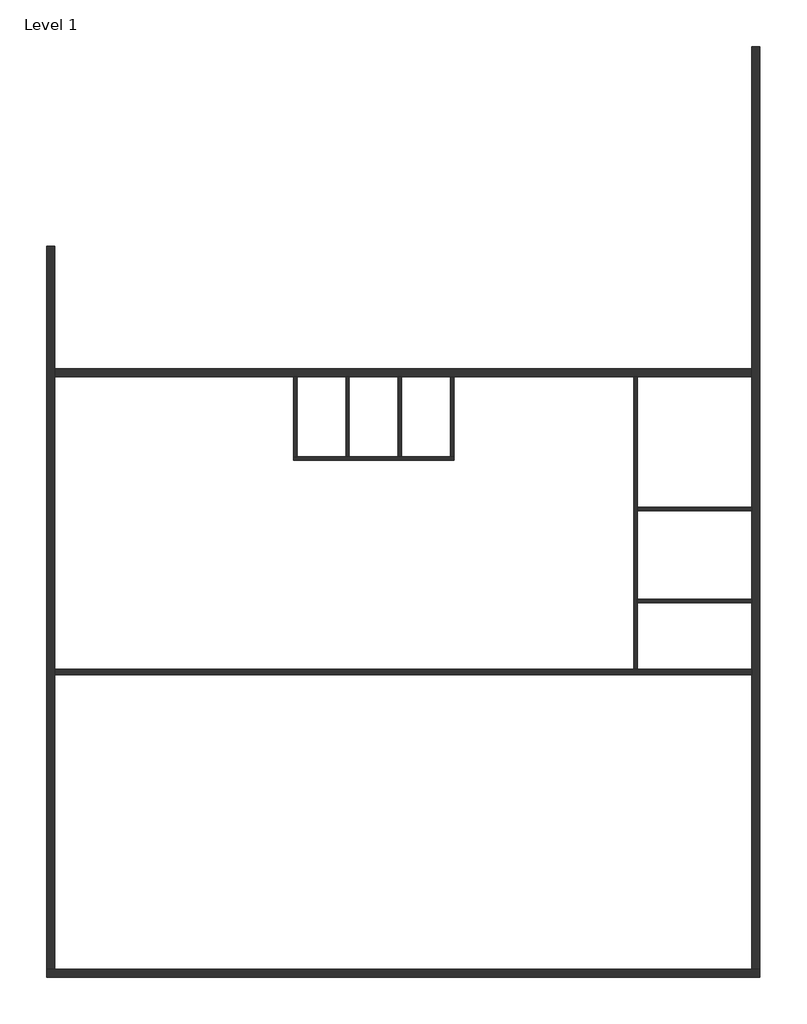
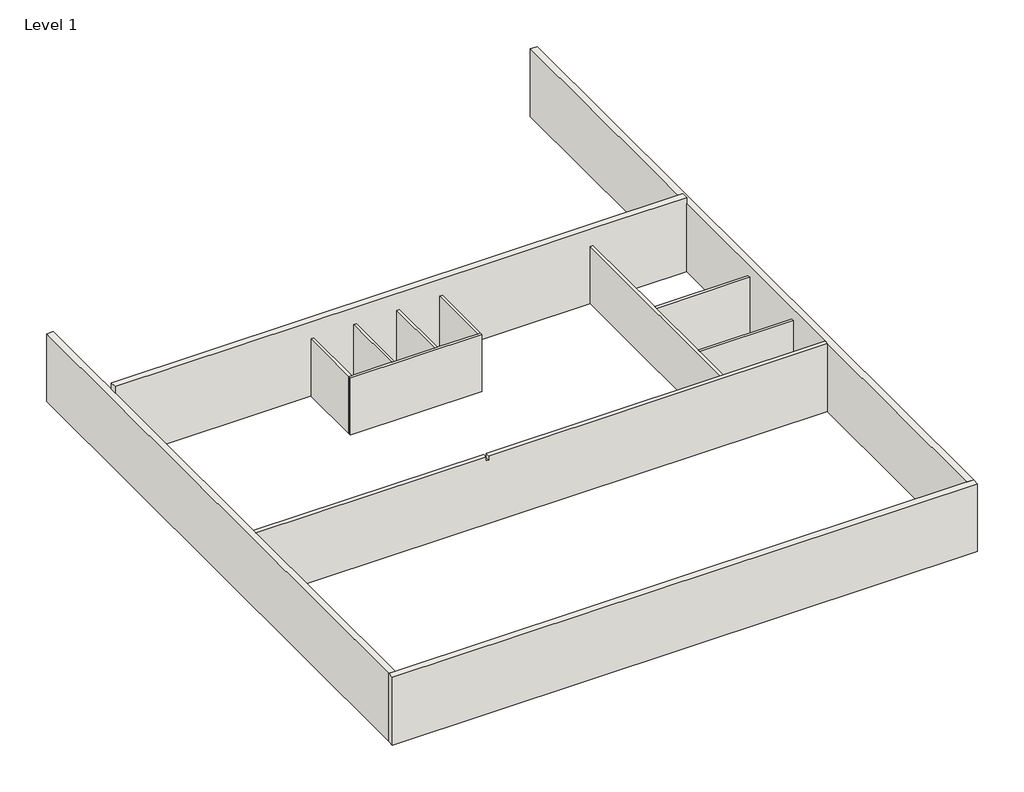
# One storey: 13 walls.
"""IFC4 building model written with IfcOpenShell, lengths in millimetres."""

from ifc_helpers import new_model, si_unit, origin, origin_with_axes, place, context, project, spatial, polyline, outline, extrude, faceted_brep, element, save

model = new_model("IFC4")

# Units and contexts
model_context = context("Model", 3, world=origin())
ifc_project = project(units=[si_unit("LENGTHUNIT", "METRE", prefix="MILLI")], contexts=[model_context])

# Site, building, storey
site = spatial("IfcSite", under=ifc_project)
building = spatial("IfcBuilding", under=site)
storey = spatial("IfcBuildingStorey", under=building, Name="Level 1", Elevation=0.0)

# Walls
placement = place(None, origin())
element("IfcWall", 1, ObjectType="Generic - 12\"", at=placement, inside=storey, context=model_context, shape_type="Brep", body=[
    faceted_brep([(-13711.3933191, -17893.9596513, 0.0), (12820.8785353, -17893.9596513, 0.0), (12820.8785353, -17893.9596513, 3251.2), (-13711.3933191, -17893.9596513, 3251.2), (-13711.3933191, -17589.1596513, 0.0), (-13711.3933191, -17589.1596513, 3251.2), (-13406.5933191, -17589.1596513, 3251.2), (12516.0785353, -17589.1596513, 3251.2), (12820.8785353, -17589.1596513, 3251.2), (12820.8785353, -17589.1596513, 0.0), (12516.0785353, -17589.1596513, 0.0), (-13406.5933191, -17589.1596513, 0.0)], [[[0, 1, 2, 3]], [[4, 5, 6, 7, 8, 9, 10, 11]], [[1, 0, 4, 11, 10, 9]], [[3, 2, 8, 7, 6, 5]], [[2, 1, 9, 8]], [[0, 3, 5, 4]]]),
])
element("IfcWall", 2, ObjectType="Generic - 12\"", at=placement, inside=storey, context=model_context, shape_type="Brep", body=[
    faceted_brep([(12820.8785353, -17589.1596513, 0.0), (12820.8785353, 16700.8403487, 0.0), (12820.8785353, 16700.8403487, 3251.2), (12820.8785353, -17589.1596513, 3251.2), (12516.0785353, -17589.1596513, 0.0), (12516.0785353, -17589.1596513, 3251.2), (12516.0785353, -6640.1721513, 3251.2), (12516.0785353, -6446.4971513, 3251.2), (12516.0785353, 16700.8403487, 3251.2), (12516.0785353, 16700.8403487, 0.0), (12516.0785353, 4734.2653487, 0.0), (12516.0785353, 4429.4653487, 0.0), (12516.0785353, -420.3471513, 0.0), (12516.0785353, -544.1721513, 0.0), (12516.0785353, -3846.1721513, 0.0), (12516.0785353, -3969.9971513, 0.0), (12516.0785353, -6446.4971513, 0.0), (12516.0785353, -6640.1721513, 0.0)], [[[0, 1, 2, 3]], [[4, 5, 6, 7, 8, 9, 10, 11, 12, 13, 14, 15, 16, 17]], [[1, 0, 4, 17, 16, 15, 14, 13, 12, 11, 10, 9]], [[2, 1, 9, 8]], [[3, 2, 8, 7, 6, 5]], [[0, 3, 5, 4]]]),
])
element("IfcWall", 3, ObjectType="Generic - 12\"", at=placement, inside=storey, context=model_context, shape_type="Brep", body=[
    faceted_brep([(-13711.3933191, 9284.0403487, 0.0), (-13711.3933191, -17589.1596513, 0.0), (-13711.3933191, -17589.1596513, 3251.2), (-13711.3933191, 9284.0403487, 3251.2), (-13406.5933191, 9284.0403487, 0.0), (-13406.5933191, 9284.0403487, 3251.2), (-13406.5933191, -6446.4971513, 3251.2), (-13406.5933191, -6640.1721513, 3251.2), (-13406.5933191, -17589.1596513, 3251.2), (-13406.5933191, -17589.1596513, 0.0), (-13406.5933191, -6640.1721513, 0.0), (-13406.5933191, -6446.4971513, 0.0), (-13406.5933191, 4429.4653487, 0.0), (-13406.5933191, 4734.2653487, 0.0)], [[[0, 1, 2, 3]], [[4, 5, 6, 7, 8, 9, 10, 11, 12, 13]], [[1, 0, 4, 13, 12, 11, 10, 9]], [[3, 2, 8, 7, 6, 5]], [[0, 3, 5, 4]], [[2, 1, 9, 8]]]),
])
element("IfcWall", 4, ObjectType="Generic - 12\"", at=placement, inside=storey, context=model_context, shape_type="Brep", body=[
    faceted_brep([(12516.0785353, 4734.2653487, 0.0), (-13406.5933191, 4734.2653487, 0.0), (-13406.5933191, 4734.2653487, 3556.0), (12516.0785353, 4734.2653487, 3556.0), (12516.0785353, 4429.4653487, 0.0), (12516.0785353, 4429.4653487, 3556.0), (8224.1620423, 4429.4653487, 3556.0), (8100.3370423, 4429.4653487, 3556.0), (6804.9370423, 4429.4653487, 3556.0), (6681.1120423, 4429.4653487, 3556.0), (3880.7620423, 4429.4653487, 3556.0), (3756.9370423, 4429.4653487, 3556.0), (-13406.5933191, 4429.4653487, 3556.0), (-13406.5933191, 4429.4653487, 0.0), (-4527.3214647, 4429.4653487, 0.0), (-4403.4964647, 4429.4653487, 0.0), (-2581.0464647, 4429.4653487, 0.0), (-2457.2214647, 4429.4653487, 0.0), (-634.7714647, 4429.4653487, 0.0), (-510.9464647, 4429.4653487, 0.0), (1311.5035353, 4429.4653487, 0.0), (1435.3285353, 4429.4653487, 0.0), (8137.7535353, 4429.4653487, 0.0), (8261.5785353, 4429.4653487, 0.0)], [[[0, 1, 2, 3]], [[4, 5, 6, 7, 8, 9, 10, 11, 12, 13, 14, 15, 16, 17, 18, 19, 20, 21, 22, 23]], [[1, 0, 4, 23, 22, 21, 20, 19, 18, 17, 16, 15, 14, 13]], [[3, 2, 12, 11, 10, 9, 8, 7, 6, 5]], [[0, 3, 5, 4]], [[2, 1, 13, 12]]]),
])
element("IfcWall", 5, ObjectType="Generic - 8\" Masonry", at=placement, inside=storey, context=model_context, shape_type="Brep", body=[
    faceted_brep([(12516.0785353, -6446.4971513, 0.0), (8261.5785353, -6446.4971513, 0.0), (8137.7535353, -6446.4971513, 0.0), (-13406.5933191, -6446.4971513, 0.0), (-13406.5933191, -6446.4971513, 3251.2), (-2974.0629577, -6446.4971513, 3251.2), (-2974.0629577, -6446.4971513, 3048.0), (-2850.2379577, -6446.4971513, 3048.0), (-2850.2379577, -6446.4971513, 3251.2), (12516.0785353, -6446.4971513, 3251.2), (-13406.5933191, -6640.1721513, 0.0), (12516.0785353, -6640.1721513, 0.0), (12516.0785353, -6640.1721513, 3251.2), (-2850.2379577, -6640.1721513, 3251.2), (-2850.2379577, -6640.1721513, 3048.0), (-2974.0629577, -6640.1721513, 3048.0), (-2974.0629577, -6640.1721513, 3251.2), (-13406.5933191, -6640.1721513, 3251.2)], [[[0, 1, 2, 3, 4, 5, 6, 7, 8, 9]], [[10, 11, 12, 13, 14, 15, 16, 17]], [[3, 2, 1, 0, 11, 10]], [[12, 9, 8, 13]], [[4, 17, 16, 5]], [[0, 9, 12, 11]], [[4, 3, 10, 17]], [[7, 14, 13, 8]], [[15, 6, 5, 16]], [[14, 7, 6, 15]]]),
])
element("IfcWall", 6, ObjectType="Interior - 4 7/8\" Partition", at=placement, inside=storey, context=model_context, shape_type="Brep", body=[
    faceted_brep([(8261.5785353, -6446.4971513, 0.0), (8261.5785353, -3969.9971513, 0.0), (8261.5785353, -3846.1721513, 0.0), (8261.5785353, -544.1721513, 0.0), (8261.5785353, -420.3471513, 0.0), (8261.5785353, 4429.4653487, 0.0), (8261.5785353, 4429.4653487, 2743.2), (8261.5785353, -420.3471513, 2743.2), (8261.5785353, -544.1721513, 2743.2), (8261.5785353, -3846.1721513, 2743.2), (8261.5785353, -3969.9971513, 2743.2), (8261.5785353, -6446.4971513, 2743.2), (8137.7535353, -6446.4971513, 0.0), (8137.7535353, -6446.4971513, 2743.2), (8137.7535353, 4429.4653487, 2743.2), (8137.7535353, 4429.4653487, 0.0)], [[[0, 1, 2, 3, 4, 5, 6, 7, 8, 9, 10, 11]], [[12, 13, 14, 15]], [[5, 4, 3, 2, 1, 0, 12, 15]], [[11, 10, 9, 8, 7, 6, 14, 13]], [[6, 5, 15, 14]], [[0, 11, 13, 12]]]),
])
element("IfcWall", 7, ObjectType="Interior - 4 7/8\" Partition", at=placement, inside=storey, context=model_context, shape_type="SweptSolid", body=[
    extrude(outline(polyline([(8261.5785353, -3846.1721513), (12516.0785353, -3846.1721513), (12516.0785353, -3969.9971513), (8261.5785353, -3969.9971513), (8261.5785353, -3846.1721513)])), origin_with_axes(), (0.0, 0.0, 1.0), 2743.2),
])
element("IfcWall", 8, ObjectType="Interior - 4 7/8\" Partition", at=placement, inside=storey, context=model_context, shape_type="SweptSolid", body=[
    extrude(outline(polyline([(8261.5785353, -420.3471513), (12516.0785353, -420.3471513), (12516.0785353, -544.1721513), (8261.5785353, -544.1721513), (8261.5785353, -420.3471513)])), origin_with_axes(), (0.0, 0.0, 1.0), 2743.2),
])
element("IfcWall", 9, ObjectType="Interior - 4 7/8\" Partition", at=placement, inside=storey, context=model_context, shape_type="Brep", body=[
    faceted_brep([(1435.3285353, 1448.1403487, 0.0), (1311.5035353, 1448.1403487, 0.0), (-510.9464647, 1448.1403487, 0.0), (-634.7714647, 1448.1403487, 0.0), (-2457.2214647, 1448.1403487, 0.0), (-2581.0464647, 1448.1403487, 0.0), (-4403.4964647, 1448.1403487, 0.0), (-4527.3214647, 1448.1403487, 0.0), (-4527.3214647, 1448.1403487, 2743.2), (-4403.4964647, 1448.1403487, 2743.2), (-2581.0464647, 1448.1403487, 2743.2), (-2457.2214647, 1448.1403487, 2743.2), (-634.7714647, 1448.1403487, 2743.2), (-510.9464647, 1448.1403487, 2743.2), (1311.5035353, 1448.1403487, 2743.2), (1435.3285353, 1448.1403487, 2743.2), (1435.3285353, 1324.3153487, 0.0), (1435.3285353, 1324.3153487, 2743.2), (-4527.3214647, 1324.3153487, 2743.2), (-4527.3214647, 1324.3153487, 0.0)], [[[0, 1, 2, 3, 4, 5, 6, 7, 8, 9, 10, 11, 12, 13, 14, 15]], [[16, 17, 18, 19]], [[7, 6, 5, 4, 3, 2, 1, 0, 16, 19]], [[15, 14, 13, 12, 11, 10, 9, 8, 18, 17]], [[0, 15, 17, 16]], [[8, 7, 19, 18]]]),
])
element("IfcWall", 10, ObjectType="Interior - 4 7/8\" Partition", at=placement, inside=storey, context=model_context, shape_type="SweptSolid", body=[
    extrude(outline(polyline([(1435.3285353, 4429.4653487), (1435.3285353, 1448.1403487), (1311.5035353, 1448.1403487), (1311.5035353, 4429.4653487), (1435.3285353, 4429.4653487)])), origin_with_axes(), (0.0, 0.0, 1.0), 2743.2),
])
element("IfcWall", 11, ObjectType="Interior - 4 7/8\" Partition", at=placement, inside=storey, context=model_context, shape_type="SweptSolid", body=[
    extrude(outline(polyline([(-510.9464647, 4429.4653487), (-510.9464647, 1448.1403487), (-634.7714647, 1448.1403487), (-634.7714647, 4429.4653487), (-510.9464647, 4429.4653487)])), origin_with_axes(), (0.0, 0.0, 1.0), 2743.2),
])
element("IfcWall", 12, ObjectType="Interior - 4 7/8\" Partition", at=placement, inside=storey, context=model_context, shape_type="SweptSolid", body=[
    extrude(outline(polyline([(-2457.2214647, 4429.4653487), (-2457.2214647, 1448.1403487), (-2581.0464647, 1448.1403487), (-2581.0464647, 4429.4653487), (-2457.2214647, 4429.4653487)])), origin_with_axes(), (0.0, 0.0, 1.0), 2743.2),
])
element("IfcWall", 13, ObjectType="Interior - 4 7/8\" Partition", at=placement, inside=storey, context=model_context, shape_type="SweptSolid", body=[
    extrude(outline(polyline([(-4403.4964647, 4429.4653487), (-4403.4964647, 1448.1403487), (-4527.3214647, 1448.1403487), (-4527.3214647, 4429.4653487), (-4403.4964647, 4429.4653487)])), origin_with_axes(), (0.0, 0.0, 1.0), 2743.2),
])

save(model, "model.ifc")
